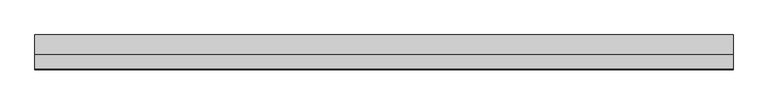
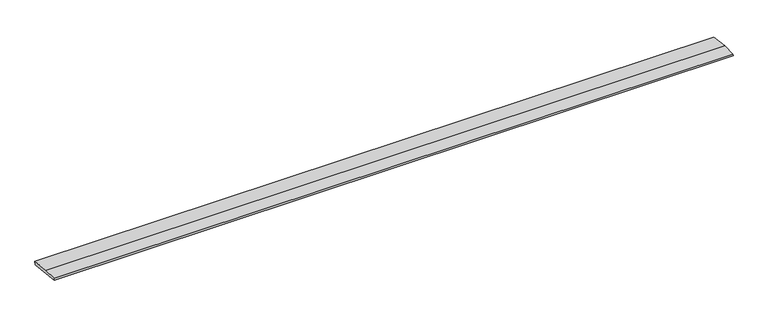
"""IFC4 building model written with IfcOpenShell, lengths in millimetres: beam geometry."""

from ifc_helpers import new_model, si_unit, frame, origin, place, context, project, spatial, polyline, outline, extrude, source, transform, mapped, element, save


def beam_31db28c5(model_context):
    return source(origin(), model_context, "Body", "SweptSolid", [
        extrude(outline(polyline([(0.0, -9.143159), (1.1226388, 0.0), (79.0749747, 0.0), (180.9387048, -12.5072934), (178.6231873, -31.3656703), (0.0, -9.143159)])), frame((-1819.6158424, 0.0, 0.0), z_axis=(1.0, 0.0, 0.0), x_axis=(0.0, 1.0, 0.0)), (0.0, 0.0, 1.0), 3639.2316847),
    ])


if __name__ == "__main__":
    model = new_model("IFC4")
    model_context = context("Model", 3, world=origin())
    ifc_project = project(units=[si_unit("LENGTHUNIT", "METRE", prefix="MILLI")], contexts=[model_context])
    site = spatial("IfcSite", under=ifc_project)
    building = spatial("IfcBuilding", under=site)
    placement = place(None, origin())
    beam_shape = beam_31db28c5(model_context)
    element("IfcBeam", 1, at=placement, inside=building, context=model_context, shape_type="MappedRepresentation", body=[
        mapped(beam_shape, transform((0.0, 0.0, 0.0), x_axis=(1.0, 0.0, 0.0), y_axis=(0.0, 1.0, 0.0), z_axis=(0.0, 0.0, 1.0))),
    ])
    save(model, "model.ifc")
